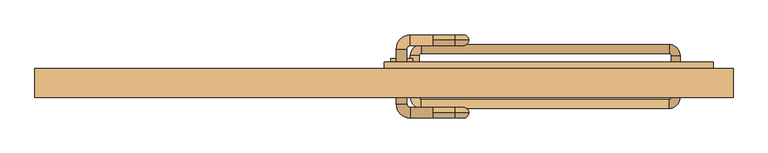
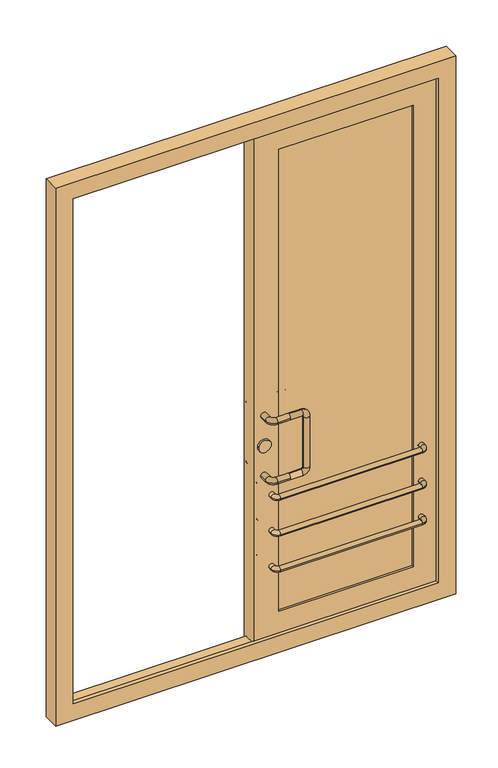
"""IFC4 building model written with IfcOpenShell, lengths in millimetres: door geometry."""

from ifc_helpers import new_model, si_unit, point, frame, frame_2d, origin, place, context, project, spatial, polyline, circle_curve, ellipse_curve, trimmed, segment, composite_curve, outline, extrude, faceted_brep, source, transform, mapped, element, save
from ifc_brep_helpers import cylinder_surface, revolved_surface, advanced_brep


def door_062f2001(model_context):
    return source(origin(), model_context, "Body", "SolidModel", [
        advanced_brep(
        [(110.0, 109.5, 1000.0), (60.0, 109.5, 1000.0), (60.0, 85.5, 1000.0), (110.0, 85.5, 1000.0), (110.0, 97.5, 1012.0), (110.0, 97.5, 988.0), (28.0, 77.5, 1000.0), (52.0, 77.5, 1000.0), (28.0, -47.5, 1000.0), (52.0, -47.5, 1000.0), (60.0, -79.5, 1000.0), (60.0, -55.5, 1000.0), (110.0, -79.5, 1000.0), (110.0, -67.5, 1012.0), (110.0, -55.5, 1000.0), (110.0, -67.5, 988.0), (160.0, 97.5, 988.0), (160.0, 97.5, 1012.0), (168.0, 97.5, 980.0), (192.0, 97.5, 980.0), (168.0, 97.5, 770.0), (192.0, 97.5, 770.0), (160.0, 97.5, 762.0), (160.0, 97.5, 738.0), (110.0, 97.5, 762.0), (110.0, 85.5, 750.0), (110.0, 97.5, 738.0), (110.0, 109.5, 750.0), (60.0, 109.5, 750.0), (60.0, 85.5, 750.0), (28.0, 77.5, 750.0), (52.0, 77.5, 750.0), (28.0, -47.5, 750.0), (52.0, -47.5, 750.0), (60.0, -79.5, 750.0), (60.0, -55.5, 750.0), (110.0, -79.5, 750.0), (110.0, -67.5, 762.0), (110.0, -55.5, 750.0), (110.0, -67.5, 738.0), (160.0, -67.5, 988.0), (160.0, -67.5, 1012.0), (168.0, -67.5, 980.0), (192.0, -67.5, 980.0), (168.0, -67.5, 770.0), (192.0, -67.5, 770.0), (160.0, -67.5, 762.0), (160.0, -67.5, 738.0)],
        [
            (0, 1),
            (1, 2, circle_curve(frame((60.0, 97.5, 1000.0), z_axis=(1.0, 0.0, 0.0), x_axis=(0.0, -1.0, 0.0)), 12.0)),
            (2, 3),
            (3, 4, circle_curve(frame((110.0, 97.5, 1000.0), z_axis=(-1.0, 0.0, 0.0), x_axis=(0.0, -1.0, 0.0)), 12.0)),
            (4, 0, circle_curve(frame((110.0, 97.5, 1000.0), z_axis=(-1.0, 0.0, 0.0), x_axis=(0.0, -1.0, 0.0)), 12.0)),
            (0, 5, circle_curve(frame((110.0, 97.5, 1000.0), z_axis=(-1.0, 0.0, 0.0), x_axis=(0.0, -1.0, 0.0)), 12.0)),
            (5, 3, circle_curve(frame((110.0, 97.5, 1000.0), z_axis=(-1.0, 0.0, 0.0), x_axis=(0.0, -1.0, 0.0)), 12.0)),
            (2, 1, circle_curve(frame((60.0, 97.5, 1000.0), z_axis=(1.0, 0.0, 0.0), x_axis=(0.0, -1.0, 0.0)), 12.0)),
            (1, 6, circle_curve(frame((60.0, 77.5, 1000.0), z_axis=(0.0, 0.0, 1.0), x_axis=(0.0, 1.0, 0.0)), 32.0)),
            (6, 7, circle_curve(frame((40.0, 77.5, 1000.0), z_axis=(0.0, 1.0, 0.0), x_axis=(1.0, 0.0, 0.0)), 12.0)),
            (7, 2, circle_curve(frame((60.0, 77.5, 1000.0), z_axis=(0.0, 0.0, -1.0), x_axis=(0.0, 1.0, 0.0)), 8.0)),
            (7, 6, circle_curve(frame((40.0, 77.5, 1000.0), z_axis=(0.0, 1.0, 0.0), x_axis=(1.0, 0.0, 0.0)), 12.0)),
            (6, 8),
            (8, 9, circle_curve(frame((40.0, -47.5, 1000.0), z_axis=(0.0, 1.0, 0.0), x_axis=(1.0, 0.0, 0.0)), 12.0)),
            (9, 7),
            (9, 8, circle_curve(frame((40.0, -47.5, 1000.0), z_axis=(0.0, 1.0, 0.0), x_axis=(1.0, 0.0, 0.0)), 12.0)),
            (8, 10, circle_curve(frame((60.0, -47.5, 1000.0), z_axis=(0.0, 0.0, 1.0), x_axis=(-1.0, 0.0, 0.0)), 32.0)),
            (10, 11, circle_curve(frame((60.0, -67.5, 1000.0), z_axis=(-1.0, 0.0, 0.0), x_axis=(0.0, 1.0, 0.0)), 12.0)),
            (11, 9, circle_curve(frame((60.0, -47.5, 1000.0), z_axis=(0.0, 0.0, -1.0), x_axis=(-1.0, 0.0, 0.0)), 8.0)),
            (11, 10, circle_curve(frame((60.0, -67.5, 1000.0), z_axis=(-1.0, 0.0, 0.0), x_axis=(0.0, 1.0, 0.0)), 12.0)),
            (10, 12),
            (12, 13, circle_curve(frame((110.0, -67.5, 1000.0), z_axis=(-1.0, 0.0, 0.0), x_axis=(0.0, 1.0, 0.0)), 12.0)),
            (13, 14, circle_curve(frame((110.0, -67.5, 1000.0), z_axis=(-1.0, 0.0, 0.0), x_axis=(0.0, 1.0, 0.0)), 12.0)),
            (14, 11),
            (14, 15, circle_curve(frame((110.0, -67.5, 1000.0), z_axis=(-1.0, 0.0, 0.0), x_axis=(0.0, 1.0, 0.0)), 12.0)),
            (15, 12, circle_curve(frame((110.0, -67.5, 1000.0), z_axis=(-1.0, 0.0, 0.0), x_axis=(0.0, 1.0, 0.0)), 12.0)),
            (5, 16),
            (16, 17, circle_curve(frame((160.0, 97.5, 1000.0), z_axis=(-1.0, 0.0, 0.0), x_axis=(0.0, 0.0, 1.0)), 12.0)),
            (17, 4),
            (17, 16, circle_curve(frame((160.0, 97.5, 1000.0), z_axis=(-1.0, 0.0, 0.0), x_axis=(0.0, 0.0, 1.0)), 12.0)),
            (16, 18, circle_curve(frame((160.0, 97.5, 980.0), z_axis=(0.0, 1.0, 0.0), x_axis=(0.0, 0.0, 1.0)), 8.0)),
            (18, 19, circle_curve(frame((180.0, 97.5, 980.0), z_axis=(0.0, 0.0, 1.0), x_axis=(1.0, 0.0, 0.0)), 12.0)),
            (19, 17, circle_curve(frame((160.0, 97.5, 980.0), z_axis=(0.0, -1.0, 0.0), x_axis=(0.0, 0.0, 1.0)), 32.0)),
            (19, 18, circle_curve(frame((180.0, 97.5, 980.0), z_axis=(0.0, 0.0, 1.0), x_axis=(1.0, 0.0, 0.0)), 12.0)),
            (18, 20),
            (20, 21, circle_curve(frame((180.0, 97.5, 770.0), z_axis=(0.0, 0.0, 1.0), x_axis=(1.0, 0.0, 0.0)), 12.0)),
            (21, 19),
            (21, 20, circle_curve(frame((180.0, 97.5, 770.0), z_axis=(0.0, 0.0, 1.0), x_axis=(1.0, 0.0, 0.0)), 12.0)),
            (20, 22, circle_curve(frame((160.0, 97.5, 770.0), z_axis=(0.0, 1.0, 0.0), x_axis=(1.0, 0.0, 0.0)), 8.0)),
            (22, 23, circle_curve(frame((160.0, 97.5, 750.0), z_axis=(1.0, 0.0, 0.0), x_axis=(0.0, 0.0, -1.0)), 12.0)),
            (23, 21, circle_curve(frame((160.0, 97.5, 770.0), z_axis=(0.0, -1.0, 0.0), x_axis=(1.0, 0.0, 0.0)), 32.0)),
            (23, 22, circle_curve(frame((160.0, 97.5, 750.0), z_axis=(1.0, 0.0, 0.0), x_axis=(0.0, 0.0, -1.0)), 12.0)),
            (22, 24),
            (24, 25, circle_curve(frame((110.0, 97.5, 750.0), z_axis=(1.0, 0.0, 0.0), x_axis=(0.0, 0.0, -1.0)), 12.0)),
            (25, 26, circle_curve(frame((110.0, 97.5, 750.0), z_axis=(1.0, 0.0, 0.0), x_axis=(0.0, 0.0, -1.0)), 12.0)),
            (26, 23),
            (26, 27, circle_curve(frame((110.0, 97.5, 750.0), z_axis=(1.0, 0.0, 0.0), x_axis=(0.0, 0.0, -1.0)), 12.0)),
            (27, 24, circle_curve(frame((110.0, 97.5, 750.0), z_axis=(1.0, 0.0, 0.0), x_axis=(0.0, 0.0, -1.0)), 12.0)),
            (27, 28),
            (28, 29, circle_curve(frame((60.0, 97.5, 750.0), z_axis=(1.0, 0.0, 0.0), x_axis=(0.0, -1.0, 0.0)), 12.0)),
            (29, 25),
            (29, 28, circle_curve(frame((60.0, 97.5, 750.0), z_axis=(1.0, 0.0, 0.0), x_axis=(0.0, -1.0, 0.0)), 12.0)),
            (28, 30, circle_curve(frame((60.0, 77.5, 750.0), z_axis=(0.0, 0.0, 1.0), x_axis=(0.0, 1.0, 0.0)), 32.0)),
            (30, 31, circle_curve(frame((40.0, 77.5, 750.0), z_axis=(0.0, 1.0, 0.0), x_axis=(1.0, 0.0, 0.0)), 12.0)),
            (31, 29, circle_curve(frame((60.0, 77.5, 750.0), z_axis=(0.0, 0.0, -1.0), x_axis=(0.0, 1.0, 0.0)), 8.0)),
            (31, 30, circle_curve(frame((40.0, 77.5, 750.0), z_axis=(0.0, 1.0, 0.0), x_axis=(1.0, 0.0, 0.0)), 12.0)),
            (30, 32),
            (32, 33, circle_curve(frame((40.0, -47.5, 750.0), z_axis=(0.0, 1.0, 0.0), x_axis=(1.0, 0.0, 0.0)), 12.0)),
            (33, 31),
            (33, 32, circle_curve(frame((40.0, -47.5, 750.0), z_axis=(0.0, 1.0, 0.0), x_axis=(1.0, 0.0, 0.0)), 12.0)),
            (32, 34, circle_curve(frame((60.0, -47.5, 750.0), z_axis=(0.0, 0.0, 1.0), x_axis=(-1.0, 0.0, 0.0)), 32.0)),
            (34, 35, circle_curve(frame((60.0, -67.5, 750.0), z_axis=(-1.0, 0.0, 0.0), x_axis=(0.0, 1.0, 0.0)), 12.0)),
            (35, 33, circle_curve(frame((60.0, -47.5, 750.0), z_axis=(0.0, 0.0, -1.0), x_axis=(-1.0, 0.0, 0.0)), 8.0)),
            (35, 34, circle_curve(frame((60.0, -67.5, 750.0), z_axis=(-1.0, 0.0, 0.0), x_axis=(0.0, 1.0, 0.0)), 12.0)),
            (34, 36),
            (36, 37, circle_curve(frame((110.0, -67.5, 750.0), z_axis=(-1.0, 0.0, 0.0), x_axis=(0.0, 1.0, 0.0)), 12.0)),
            (37, 38, circle_curve(frame((110.0, -67.5, 750.0), z_axis=(-1.0, 0.0, 0.0), x_axis=(0.0, 1.0, 0.0)), 12.0)),
            (38, 35),
            (38, 39, circle_curve(frame((110.0, -67.5, 750.0), z_axis=(-1.0, 0.0, 0.0), x_axis=(0.0, 1.0, 0.0)), 12.0)),
            (39, 36, circle_curve(frame((110.0, -67.5, 750.0), z_axis=(-1.0, 0.0, 0.0), x_axis=(0.0, 1.0, 0.0)), 12.0)),
            (15, 40),
            (40, 41, circle_curve(frame((160.0, -67.5, 1000.0), z_axis=(-1.0, 0.0, 0.0), x_axis=(0.0, 0.0, 1.0)), 12.0)),
            (41, 13),
            (41, 40, circle_curve(frame((160.0, -67.5, 1000.0), z_axis=(-1.0, 0.0, 0.0), x_axis=(0.0, 0.0, 1.0)), 12.0)),
            (40, 42, circle_curve(frame((160.0, -67.5, 980.0), z_axis=(0.0, 1.0, 0.0), x_axis=(0.0, 0.0, 1.0)), 8.0)),
            (42, 43, circle_curve(frame((180.0, -67.5, 980.0), z_axis=(0.0, 0.0, 1.0), x_axis=(1.0, 0.0, 0.0)), 12.0)),
            (43, 41, circle_curve(frame((160.0, -67.5, 980.0), z_axis=(0.0, -1.0, 0.0), x_axis=(0.0, 0.0, 1.0)), 32.0)),
            (43, 42, circle_curve(frame((180.0, -67.5, 980.0), z_axis=(0.0, 0.0, 1.0), x_axis=(1.0, 0.0, 0.0)), 12.0)),
            (42, 44),
            (44, 45, circle_curve(frame((180.0, -67.5, 770.0), z_axis=(0.0, 0.0, 1.0), x_axis=(1.0, 0.0, 0.0)), 12.0)),
            (45, 43),
            (45, 44, circle_curve(frame((180.0, -67.5, 770.0), z_axis=(0.0, 0.0, 1.0), x_axis=(1.0, 0.0, 0.0)), 12.0)),
            (44, 46, circle_curve(frame((160.0, -67.5, 770.0), z_axis=(0.0, 1.0, 0.0), x_axis=(1.0, 0.0, 0.0)), 8.0)),
            (46, 47, circle_curve(frame((160.0, -67.5, 750.0), z_axis=(1.0, 0.0, 0.0), x_axis=(0.0, 0.0, -1.0)), 12.0)),
            (47, 45, circle_curve(frame((160.0, -67.5, 770.0), z_axis=(0.0, -1.0, 0.0), x_axis=(1.0, 0.0, 0.0)), 32.0)),
            (47, 46, circle_curve(frame((160.0, -67.5, 750.0), z_axis=(1.0, 0.0, 0.0), x_axis=(0.0, 0.0, -1.0)), 12.0)),
            (46, 37),
            (39, 47),
        ],
        [
            cylinder_surface(frame((110.0, 97.5, 1000.0), z_axis=(1.0, 0.0, 0.0), x_axis=(0.0, -1.0, 0.0)), 12.0),
            revolved_surface(trimmed(ellipse_curve(frame((60.0, 97.5, 1000.0), z_axis=(1.0, 0.0, 0.0), x_axis=(0.0, -1.0, 0.0)), 12.0, 12.0), [point((60.0, 109.5, 1000.0))], [point((60.0, 85.5, 1000.0))], True, "CARTESIAN"), (60.0, 77.5, 1000.0), (0.0, 0.0, 1.0)),
            revolved_surface(trimmed(ellipse_curve(frame((60.0, 97.5, 1000.0), z_axis=(1.0, 0.0, 0.0), x_axis=(0.0, -1.0, 0.0)), 12.0, 12.0), [point((60.0, 85.5, 1000.0))], [point((60.0, 109.5, 1000.0))], True, "CARTESIAN"), (60.0, 77.5, 1000.0), (0.0, 0.0, 1.0)),
            cylinder_surface(frame((40.0, 77.5, 1000.0), z_axis=(0.0, 1.0, 0.0), x_axis=(1.0, 0.0, 0.0)), 12.0),
            revolved_surface(trimmed(ellipse_curve(frame((40.0, -47.5, 1000.0), z_axis=(0.0, 1.0, 0.0), x_axis=(1.0, 0.0, 0.0)), 12.0, 12.0), [point((28.0, -47.5, 1000.0))], [point((52.0, -47.5, 1000.0))], True, "CARTESIAN"), (60.0, -47.5, 1000.0), (0.0, 0.0, 1.0)),
            revolved_surface(trimmed(ellipse_curve(frame((40.0, -47.5, 1000.0), z_axis=(0.0, 1.0, 0.0), x_axis=(1.0, 0.0, 0.0)), 12.0, 12.0), [point((52.0, -47.5, 1000.0))], [point((28.0, -47.5, 1000.0))], True, "CARTESIAN"), (60.0, -47.5, 1000.0), (0.0, 0.0, 1.0)),
            cylinder_surface(frame((60.0, -67.5, 1000.0), z_axis=(-1.0, 0.0, 0.0), x_axis=(0.0, 1.0, 0.0)), 12.0),
            cylinder_surface(frame((110.0, 97.5, 1000.0), z_axis=(-1.0, 0.0, 0.0), x_axis=(0.0, 0.0, 1.0)), 12.0),
            revolved_surface(trimmed(ellipse_curve(frame((160.0, 97.5, 1000.0), z_axis=(-1.0, 0.0, 0.0), x_axis=(0.0, 0.0, 1.0)), 12.0, 12.0), [point((160.0, 97.5, 988.0))], [point((160.0, 97.5, 1012.0))], True, "CARTESIAN"), (160.0, 97.5, 980.0), (0.0, 1.0, 0.0)),
            revolved_surface(trimmed(ellipse_curve(frame((160.0, 97.5, 1000.0), z_axis=(-1.0, 0.0, 0.0), x_axis=(0.0, 0.0, 1.0)), 12.0, 12.0), [point((160.0, 97.5, 1012.0))], [point((160.0, 97.5, 988.0))], True, "CARTESIAN"), (160.0, 97.5, 980.0), (0.0, 1.0, 0.0)),
            cylinder_surface(frame((180.0, 97.5, 980.0), z_axis=(0.0, 0.0, 1.0), x_axis=(1.0, 0.0, 0.0)), 12.0),
            revolved_surface(trimmed(ellipse_curve(frame((180.0, 97.5, 770.0), z_axis=(0.0, 0.0, 1.0), x_axis=(1.0, 0.0, 0.0)), 12.0, 12.0), [point((168.0, 97.5, 770.0))], [point((192.0, 97.5, 770.0))], True, "CARTESIAN"), (160.0, 97.5, 770.0), (0.0, 1.0, 0.0)),
            revolved_surface(trimmed(ellipse_curve(frame((180.0, 97.5, 770.0), z_axis=(0.0, 0.0, 1.0), x_axis=(1.0, 0.0, 0.0)), 12.0, 12.0), [point((192.0, 97.5, 770.0))], [point((168.0, 97.5, 770.0))], True, "CARTESIAN"), (160.0, 97.5, 770.0), (0.0, 1.0, 0.0)),
            cylinder_surface(frame((160.0, 97.5, 750.0), z_axis=(1.0, 0.0, 0.0), x_axis=(0.0, 0.0, -1.0)), 12.0),
            cylinder_surface(frame((110.0, 97.5, 750.0), z_axis=(1.0, 0.0, 0.0), x_axis=(0.0, -1.0, 0.0)), 12.0),
            revolved_surface(trimmed(ellipse_curve(frame((60.0, 97.5, 750.0), z_axis=(1.0, 0.0, 0.0), x_axis=(0.0, -1.0, 0.0)), 12.0, 12.0), [point((60.0, 109.5, 750.0))], [point((60.0, 85.5, 750.0))], True, "CARTESIAN"), (60.0, 77.5, 750.0), (0.0, 0.0, 1.0)),
            revolved_surface(trimmed(ellipse_curve(frame((60.0, 97.5, 750.0), z_axis=(1.0, 0.0, 0.0), x_axis=(0.0, -1.0, 0.0)), 12.0, 12.0), [point((60.0, 85.5, 750.0))], [point((60.0, 109.5, 750.0))], True, "CARTESIAN"), (60.0, 77.5, 750.0), (0.0, 0.0, 1.0)),
            cylinder_surface(frame((40.0, 77.5, 750.0), z_axis=(0.0, 1.0, 0.0), x_axis=(1.0, 0.0, 0.0)), 12.0),
            revolved_surface(trimmed(ellipse_curve(frame((40.0, -47.5, 750.0), z_axis=(0.0, 1.0, 0.0), x_axis=(1.0, 0.0, 0.0)), 12.0, 12.0), [point((28.0, -47.5, 750.0))], [point((52.0, -47.5, 750.0))], True, "CARTESIAN"), (60.0, -47.5, 750.0), (0.0, 0.0, 1.0)),
            revolved_surface(trimmed(ellipse_curve(frame((40.0, -47.5, 750.0), z_axis=(0.0, 1.0, 0.0), x_axis=(1.0, 0.0, 0.0)), 12.0, 12.0), [point((52.0, -47.5, 750.0))], [point((28.0, -47.5, 750.0))], True, "CARTESIAN"), (60.0, -47.5, 750.0), (0.0, 0.0, 1.0)),
            cylinder_surface(frame((60.0, -67.5, 750.0), z_axis=(-1.0, 0.0, 0.0), x_axis=(0.0, 1.0, 0.0)), 12.0),
            cylinder_surface(frame((110.0, -67.5, 1000.0), z_axis=(-1.0, 0.0, 0.0), x_axis=(0.0, 0.0, 1.0)), 12.0),
            revolved_surface(trimmed(ellipse_curve(frame((160.0, -67.5, 1000.0), z_axis=(-1.0, 0.0, 0.0), x_axis=(0.0, 0.0, 1.0)), 12.0, 12.0), [point((160.0, -67.5, 988.0))], [point((160.0, -67.5, 1012.0))], True, "CARTESIAN"), (160.0, -67.5, 980.0), (0.0, 1.0, 0.0)),
            revolved_surface(trimmed(ellipse_curve(frame((160.0, -67.5, 1000.0), z_axis=(-1.0, 0.0, 0.0), x_axis=(0.0, 0.0, 1.0)), 12.0, 12.0), [point((160.0, -67.5, 1012.0))], [point((160.0, -67.5, 988.0))], True, "CARTESIAN"), (160.0, -67.5, 980.0), (0.0, 1.0, 0.0)),
            cylinder_surface(frame((180.0, -67.5, 980.0), z_axis=(0.0, 0.0, 1.0), x_axis=(1.0, 0.0, 0.0)), 12.0),
            revolved_surface(trimmed(ellipse_curve(frame((180.0, -67.5, 770.0), z_axis=(0.0, 0.0, 1.0), x_axis=(1.0, 0.0, 0.0)), 12.0, 12.0), [point((168.0, -67.5, 770.0))], [point((192.0, -67.5, 770.0))], True, "CARTESIAN"), (160.0, -67.5, 770.0), (0.0, 1.0, 0.0)),
            revolved_surface(trimmed(ellipse_curve(frame((180.0, -67.5, 770.0), z_axis=(0.0, 0.0, 1.0), x_axis=(1.0, 0.0, 0.0)), 12.0, 12.0), [point((192.0, -67.5, 770.0))], [point((168.0, -67.5, 770.0))], True, "CARTESIAN"), (160.0, -67.5, 770.0), (0.0, 1.0, 0.0)),
            cylinder_surface(frame((160.0, -67.5, 750.0), z_axis=(1.0, 0.0, 0.0), x_axis=(0.0, 0.0, -1.0)), 12.0),
        ],
        [
            (0, [[1, 2, 3, 4, 5]]),
            (0, [[-1, 6, 7, -3, 8]]),
            (1, [[-2, 9, 10, 11]]),
            (2, [[-8, -11, 12, -9]]),
            (3, [[-10, 13, 14, 15]]),
            (3, [[-12, -15, 16, -13]]),
            (4, [[-14, 17, 18, 19]]),
            (5, [[-16, -19, 20, -17]]),
            (6, [[-18, 21, 22, 23, 24]]),
            (6, [[-20, -24, 25, 26, -21]]),
            (7, [[27, 28, 29, -4, -7]]),
            (7, [[-27, -6, -5, -29, 30]]),
            (8, [[-28, 31, 32, 33]]),
            (9, [[-30, -33, 34, -31]]),
            (10, [[-32, 35, 36, 37]]),
            (10, [[-34, -37, 38, -35]]),
            (11, [[-36, 39, 40, 41]]),
            (12, [[-38, -41, 42, -39]]),
            (13, [[-40, 43, 44, 45, 46]]),
            (13, [[-42, -46, 47, 48, -43]]),
            (14, [[49, 50, 51, -44, -48]]),
            (14, [[-49, -47, -45, -51, 52]]),
            (15, [[-50, 53, 54, 55]]),
            (16, [[-52, -55, 56, -53]]),
            (17, [[-54, 57, 58, 59]]),
            (17, [[-56, -59, 60, -57]]),
            (18, [[-58, 61, 62, 63]]),
            (19, [[-60, -63, 64, -61]]),
            (20, [[-62, 65, 66, 67, 68]]),
            (20, [[-64, -68, 69, 70, -65]]),
            (21, [[71, 72, 73, -22, -26]]),
            (21, [[-71, -25, -23, -73, 74]]),
            (22, [[-72, 75, 76, 77]]),
            (23, [[-74, -77, 78, -75]]),
            (24, [[-76, 79, 80, 81]]),
            (24, [[-78, -81, 82, -79]]),
            (25, [[-80, 83, 84, 85]]),
            (26, [[-82, -85, 86, -83]]),
            (27, [[-84, 87, -66, -70, 88]]),
            (27, [[-86, -88, -69, -67, -87]]),
        ],
    ),
        extrude(outline(composite_curve([segment(trimmed(circle_curve(frame_2d((875.0, 40.0)), 25.0), [point((875.0, 15.0))], [point((875.0, 65.0))], False, "CARTESIAN"), True, "CONTINUOUS"), segment(trimmed(circle_curve(frame_2d((875.0, 40.0)), 25.0), [point((875.0, 65.0))], [point((875.0, 15.0))], False, "CARTESIAN"), True, "CONTINUOUS")], self_intersect=False)), frame((0.0, -25.5, 0.0), z_axis=(0.0, 1.0, 0.0), x_axis=(0.0, 0.0, 1.0)), (0.0, 0.0, 1.0), 81.0),
        faceted_brep([(100.0, 47.5, 160.0), (100.0, -17.5, 160.0), (631.3125, -17.5, 160.0), (631.3125, 47.5, 160.0), (746.3125, 47.5, 45.0), (746.3125, 32.5, 45.0), (0.0, 32.5, 45.0), (0.0, 47.5, 45.0), (0.0, -17.5, 60.0), (0.0, 32.5, 60.0), (731.3125, 32.5, 60.0), (731.3125, -17.5, 60.0), (631.3125, -17.5, 2090.125), (631.3125, 47.5, 2090.125), (746.3125, 47.5, 2205.125), (746.3125, 32.5, 2205.125), (731.3125, 32.5, 2190.125), (731.3125, -17.5, 2190.125), (100.0, -17.5, 2090.125), (100.0, 47.5, 2090.125), (0.0, 47.5, 2205.125), (0.0, 32.5, 2205.125), (0.0, 32.5, 2190.125), (0.0, -17.5, 2190.125)], [[[0, 1, 2, 3]], [[4, 5, 6, 7]], [[8, 9, 10, 11]], [[3, 2, 12, 13]], [[5, 4, 14, 15]], [[11, 10, 16, 17]], [[13, 12, 18, 19]], [[15, 14, 20, 21]], [[17, 16, 22, 23]], [[1, 0, 19, 18]], [[14, 4, 7, 20], [0, 3, 13, 19]], [[10, 9, 6, 5, 15, 21, 22, 16]], [[9, 8, 23, 22, 21, 20, 7, 6]], [[8, 11, 17, 23], [2, 1, 18, 12]]]),
        advanced_brep(
        [(60.0, -32.5, 360.0), (80.0, -32.5, 360.0), (80.0, 62.5, 360.0), (60.0, 62.5, 360.0), (85.0, 87.5, 360.0), (85.0, 67.5, 360.0), (646.3125, 67.5, 360.0), (646.3125, 87.5, 360.0), (671.3125, 62.5, 360.0), (651.3125, 62.5, 360.0), (651.3125, -32.5, 360.0), (671.3125, -32.5, 360.0), (646.3125, -57.5, 360.0), (646.3125, -37.5, 360.0), (85.0, -37.5, 360.0), (85.0, -57.5, 360.0)],
        [
            (0, 1, circle_curve(frame((70.0, -32.5, 360.0), z_axis=(0.0, 1.0, 0.0), x_axis=(-1.0, 0.0, 0.0)), 10.0)),
            (1, 2),
            (2, 3, circle_curve(frame((70.0, 62.5, 360.0), z_axis=(0.0, -1.0, 0.0), x_axis=(-1.0, 0.0, 0.0)), 10.0)),
            (3, 0),
            (1, 0, circle_curve(frame((70.0, -32.5, 360.0), z_axis=(0.0, 1.0, 0.0), x_axis=(-1.0, 0.0, 0.0)), 10.0)),
            (3, 2, circle_curve(frame((70.0, 62.5, 360.0), z_axis=(0.0, -1.0, 0.0), x_axis=(-1.0, 0.0, 0.0)), 10.0)),
            (4, 3, circle_curve(frame((85.0, 62.5, 360.0), z_axis=(0.0, 0.0, 1.0), x_axis=(-1.0, 0.0, 0.0)), 25.0)),
            (2, 5, circle_curve(frame((85.0, 62.5, 360.0), z_axis=(0.0, 0.0, -1.0), x_axis=(-1.0, 0.0, 0.0)), 5.0)),
            (5, 4, circle_curve(frame((85.0, 77.5, 360.0), z_axis=(-1.0, 0.0, 0.0), x_axis=(0.0, 1.0, 0.0)), 10.0)),
            (4, 5, circle_curve(frame((85.0, 77.5, 360.0), z_axis=(-1.0, 0.0, 0.0), x_axis=(0.0, 1.0, 0.0)), 10.0)),
            (5, 6),
            (6, 7, circle_curve(frame((646.3125, 77.5, 360.0), z_axis=(-1.0, 0.0, 0.0), x_axis=(0.0, 1.0, 0.0)), 10.0)),
            (7, 4),
            (7, 6, circle_curve(frame((646.3125, 77.5, 360.0), z_axis=(-1.0, 0.0, 0.0), x_axis=(0.0, 1.0, 0.0)), 10.0)),
            (8, 7, circle_curve(frame((646.3125, 62.5, 360.0), z_axis=(0.0, 0.0, 1.0), x_axis=(0.0, 1.0, 0.0)), 25.0)),
            (6, 9, circle_curve(frame((646.3125, 62.5, 360.0), z_axis=(0.0, 0.0, -1.0), x_axis=(0.0, 1.0, 0.0)), 5.0)),
            (9, 8, circle_curve(frame((661.3125, 62.5, 360.0), z_axis=(0.0, 1.0, 0.0), x_axis=(1.0, 0.0, 0.0)), 10.0)),
            (8, 9, circle_curve(frame((661.3125, 62.5, 360.0), z_axis=(0.0, 1.0, 0.0), x_axis=(1.0, 0.0, 0.0)), 10.0)),
            (9, 10),
            (10, 11, circle_curve(frame((661.3125, -32.5, 360.0), z_axis=(0.0, 1.0, 0.0), x_axis=(1.0, 0.0, 0.0)), 10.0)),
            (11, 8),
            (11, 10, circle_curve(frame((661.3125, -32.5, 360.0), z_axis=(0.0, 1.0, 0.0), x_axis=(1.0, 0.0, 0.0)), 10.0)),
            (12, 11, circle_curve(frame((646.3125, -32.5, 360.0), z_axis=(0.0, 0.0, 1.0), x_axis=(1.0, 0.0, 0.0)), 25.0)),
            (10, 13, circle_curve(frame((646.3125, -32.5, 360.0), z_axis=(0.0, 0.0, -1.0), x_axis=(1.0, 0.0, 0.0)), 5.0)),
            (13, 12, circle_curve(frame((646.3125, -47.5, 360.0), z_axis=(1.0, 0.0, 0.0), x_axis=(0.0, -1.0, 0.0)), 10.0)),
            (12, 13, circle_curve(frame((646.3125, -47.5, 360.0), z_axis=(1.0, 0.0, 0.0), x_axis=(0.0, -1.0, 0.0)), 10.0)),
            (13, 14),
            (14, 15, circle_curve(frame((85.0, -47.5, 360.0), z_axis=(1.0, 0.0, 0.0), x_axis=(0.0, -1.0, 0.0)), 10.0)),
            (15, 12),
            (15, 14, circle_curve(frame((85.0, -47.5, 360.0), z_axis=(1.0, 0.0, 0.0), x_axis=(0.0, -1.0, 0.0)), 10.0)),
            (0, 15, circle_curve(frame((85.0, -32.5, 360.0), z_axis=(0.0, 0.0, 1.0), x_axis=(0.0, -1.0, 0.0)), 25.0)),
            (14, 1, circle_curve(frame((85.0, -32.5, 360.0), z_axis=(0.0, 0.0, -1.0), x_axis=(0.0, -1.0, 0.0)), 5.0)),
        ],
        [
            cylinder_surface(frame((70.0, -32.5, 360.0), z_axis=(0.0, -1.0, 0.0), x_axis=(-1.0, 0.0, 0.0)), 10.0),
            revolved_surface(trimmed(ellipse_curve(frame((70.0, 62.5, 360.0), z_axis=(0.0, -1.0, 0.0), x_axis=(-1.0, 0.0, 0.0)), 10.0, 10.0), [point((80.0, 62.5, 360.0))], [point((60.0, 62.5, 360.0))], True, "CARTESIAN"), (85.0, 62.5, 360.0), (0.0, 0.0, -1.0)),
            revolved_surface(trimmed(ellipse_curve(frame((70.0, 62.5, 360.0), z_axis=(0.0, -1.0, 0.0), x_axis=(-1.0, 0.0, 0.0)), 10.0, 10.0), [point((60.0, 62.5, 360.0))], [point((80.0, 62.5, 360.0))], True, "CARTESIAN"), (85.0, 62.5, 360.0), (0.0, 0.0, -1.0)),
            cylinder_surface(frame((85.0, 77.5, 360.0), z_axis=(-1.0, 0.0, 0.0), x_axis=(0.0, 1.0, 0.0)), 10.0),
            revolved_surface(trimmed(ellipse_curve(frame((646.3125, 77.5, 360.0), z_axis=(-1.0, 0.0, 0.0), x_axis=(0.0, 1.0, 0.0)), 10.0, 10.0), [point((646.3125, 67.5, 360.0))], [point((646.3125, 87.5, 360.0))], True, "CARTESIAN"), (646.3125, 62.5, 360.0), (0.0, 0.0, -1.0)),
            revolved_surface(trimmed(ellipse_curve(frame((646.3125, 77.5, 360.0), z_axis=(-1.0, 0.0, 0.0), x_axis=(0.0, 1.0, 0.0)), 10.0, 10.0), [point((646.3125, 87.5, 360.0))], [point((646.3125, 67.5, 360.0))], True, "CARTESIAN"), (646.3125, 62.5, 360.0), (0.0, 0.0, -1.0)),
            cylinder_surface(frame((661.3125, 62.5, 360.0), z_axis=(0.0, 1.0, 0.0), x_axis=(1.0, 0.0, 0.0)), 10.0),
            revolved_surface(trimmed(ellipse_curve(frame((661.3125, -32.5, 360.0), z_axis=(0.0, 1.0, 0.0), x_axis=(1.0, 0.0, 0.0)), 10.0, 10.0), [point((651.3125, -32.5, 360.0))], [point((671.3125, -32.5, 360.0))], True, "CARTESIAN"), (646.3125, -32.5, 360.0), (0.0, 0.0, -1.0)),
            revolved_surface(trimmed(ellipse_curve(frame((661.3125, -32.5, 360.0), z_axis=(0.0, 1.0, 0.0), x_axis=(1.0, 0.0, 0.0)), 10.0, 10.0), [point((671.3125, -32.5, 360.0))], [point((651.3125, -32.5, 360.0))], True, "CARTESIAN"), (646.3125, -32.5, 360.0), (0.0, 0.0, -1.0)),
            cylinder_surface(frame((646.3125, -47.5, 360.0), z_axis=(1.0, 0.0, 0.0), x_axis=(0.0, -1.0, 0.0)), 10.0),
            revolved_surface(trimmed(ellipse_curve(frame((85.0, -47.5, 360.0), z_axis=(1.0, 0.0, 0.0), x_axis=(0.0, -1.0, 0.0)), 10.0, 10.0), [point((85.0, -37.5, 360.0))], [point((85.0, -57.5, 360.0))], True, "CARTESIAN"), (85.0, -32.5, 360.0), (0.0, 0.0, -1.0)),
            revolved_surface(trimmed(ellipse_curve(frame((85.0, -47.5, 360.0), z_axis=(1.0, 0.0, 0.0), x_axis=(0.0, -1.0, 0.0)), 10.0, 10.0), [point((85.0, -57.5, 360.0))], [point((85.0, -37.5, 360.0))], True, "CARTESIAN"), (85.0, -32.5, 360.0), (0.0, 0.0, -1.0)),
        ],
        [
            (0, [[1, 2, 3, 4]]),
            (0, [[5, -4, 6, -2]]),
            (1, [[7, -3, 8, 9]]),
            (2, [[-8, -6, -7, 10]]),
            (3, [[-9, 11, 12, 13]]),
            (3, [[-10, -13, 14, -11]]),
            (4, [[15, -12, 16, 17]]),
            (5, [[-16, -14, -15, 18]]),
            (6, [[-17, 19, 20, 21]]),
            (6, [[-18, -21, 22, -19]]),
            (7, [[23, -20, 24, 25]]),
            (8, [[-24, -22, -23, 26]]),
            (9, [[-25, 27, 28, 29]]),
            (9, [[-26, -29, 30, -27]]),
            (10, [[31, -28, 32, -1]]),
            (11, [[-32, -30, -31, -5]]),
        ],
    ),
        advanced_brep(
        [(60.0, -32.5, 510.0), (80.0, -32.5, 510.0), (80.0, 62.5, 510.0), (60.0, 62.5, 510.0), (85.0, 87.5, 510.0), (85.0, 67.5, 510.0), (646.3125, 67.5, 510.0), (646.3125, 87.5, 510.0), (671.3125, 62.5, 510.0), (651.3125, 62.5, 510.0), (651.3125, -32.5, 510.0), (671.3125, -32.5, 510.0), (646.3125, -57.5, 510.0), (646.3125, -37.5, 510.0), (85.0, -37.5, 510.0), (85.0, -57.5, 510.0)],
        [
            (0, 1, circle_curve(frame((70.0, -32.5, 510.0), z_axis=(0.0, 1.0, 0.0), x_axis=(-1.0, 0.0, 0.0)), 10.0)),
            (1, 2),
            (2, 3, circle_curve(frame((70.0, 62.5, 510.0), z_axis=(0.0, -1.0, 0.0), x_axis=(-1.0, 0.0, 0.0)), 10.0)),
            (3, 0),
            (1, 0, circle_curve(frame((70.0, -32.5, 510.0), z_axis=(0.0, 1.0, 0.0), x_axis=(-1.0, 0.0, 0.0)), 10.0)),
            (3, 2, circle_curve(frame((70.0, 62.5, 510.0), z_axis=(0.0, -1.0, 0.0), x_axis=(-1.0, 0.0, 0.0)), 10.0)),
            (4, 3, circle_curve(frame((85.0, 62.5, 510.0), z_axis=(0.0, 0.0, 1.0), x_axis=(-1.0, 0.0, 0.0)), 25.0)),
            (2, 5, circle_curve(frame((85.0, 62.5, 510.0), z_axis=(0.0, 0.0, -1.0), x_axis=(-1.0, 0.0, 0.0)), 5.0)),
            (5, 4, circle_curve(frame((85.0, 77.5, 510.0), z_axis=(-1.0, 0.0, 0.0), x_axis=(0.0, 1.0, 0.0)), 10.0)),
            (4, 5, circle_curve(frame((85.0, 77.5, 510.0), z_axis=(-1.0, 0.0, 0.0), x_axis=(0.0, 1.0, 0.0)), 10.0)),
            (5, 6),
            (6, 7, circle_curve(frame((646.3125, 77.5, 510.0), z_axis=(-1.0, 0.0, 0.0), x_axis=(0.0, 1.0, 0.0)), 10.0)),
            (7, 4),
            (7, 6, circle_curve(frame((646.3125, 77.5, 510.0), z_axis=(-1.0, 0.0, 0.0), x_axis=(0.0, 1.0, 0.0)), 10.0)),
            (8, 7, circle_curve(frame((646.3125, 62.5, 510.0), z_axis=(0.0, 0.0, 1.0), x_axis=(0.0, 1.0, 0.0)), 25.0)),
            (6, 9, circle_curve(frame((646.3125, 62.5, 510.0), z_axis=(0.0, 0.0, -1.0), x_axis=(0.0, 1.0, 0.0)), 5.0)),
            (9, 8, circle_curve(frame((661.3125, 62.5, 510.0), z_axis=(0.0, 1.0, 0.0), x_axis=(1.0, 0.0, 0.0)), 10.0)),
            (8, 9, circle_curve(frame((661.3125, 62.5, 510.0), z_axis=(0.0, 1.0, 0.0), x_axis=(1.0, 0.0, 0.0)), 10.0)),
            (9, 10),
            (10, 11, circle_curve(frame((661.3125, -32.5, 510.0), z_axis=(0.0, 1.0, 0.0), x_axis=(1.0, 0.0, 0.0)), 10.0)),
            (11, 8),
            (11, 10, circle_curve(frame((661.3125, -32.5, 510.0), z_axis=(0.0, 1.0, 0.0), x_axis=(1.0, 0.0, 0.0)), 10.0)),
            (12, 11, circle_curve(frame((646.3125, -32.5, 510.0), z_axis=(0.0, 0.0, 1.0), x_axis=(1.0, 1.264444445123043e-12, 0.0)), 25.0)),
            (10, 13, circle_curve(frame((646.3125, -32.5, 510.0), z_axis=(0.0, 0.0, -1.0), x_axis=(1.0, 1.264444445123043e-12, 0.0)), 5.0)),
            (13, 12, circle_curve(frame((646.3125, -47.5, 510.0), z_axis=(1.0, 0.0, 0.0), x_axis=(0.0, -1.0, 0.0)), 10.0)),
            (12, 13, circle_curve(frame((646.3125, -47.5, 510.0), z_axis=(1.0, 0.0, 0.0), x_axis=(0.0, -1.0, 0.0)), 10.0)),
            (13, 14),
            (14, 15, circle_curve(frame((85.0, -47.5, 510.0), z_axis=(1.0, 0.0, 0.0), x_axis=(0.0, -1.0, 0.0)), 10.0)),
            (15, 12),
            (15, 14, circle_curve(frame((85.0, -47.5, 510.0), z_axis=(1.0, 0.0, 0.0), x_axis=(0.0, -1.0, 0.0)), 10.0)),
            (0, 15, circle_curve(frame((85.0, -32.5, 510.0), z_axis=(0.0, 0.0, 1.0), x_axis=(0.0, -1.0, 0.0)), 25.0)),
            (14, 1, circle_curve(frame((85.0, -32.5, 510.0), z_axis=(0.0, 0.0, -1.0), x_axis=(0.0, -1.0, 0.0)), 5.0)),
        ],
        [
            cylinder_surface(frame((70.0, -32.5, 510.0), z_axis=(0.0, -1.0, 0.0), x_axis=(-1.0, 0.0, 0.0)), 10.0),
            revolved_surface(trimmed(ellipse_curve(frame((70.0, 62.5, 510.0), z_axis=(0.0, -1.0, 0.0), x_axis=(-1.0, 0.0, 0.0)), 10.0, 10.0), [point((80.0, 62.5, 510.0))], [point((60.0, 62.5, 510.0))], True, "CARTESIAN"), (85.0, 62.5, 510.0), (0.0, 0.0, -1.0)),
            revolved_surface(trimmed(ellipse_curve(frame((70.0, 62.5, 510.0), z_axis=(0.0, -1.0, 0.0), x_axis=(-1.0, 0.0, 0.0)), 10.0, 10.0), [point((60.0, 62.5, 510.0))], [point((80.0, 62.5, 510.0))], True, "CARTESIAN"), (85.0, 62.5, 510.0), (0.0, 0.0, -1.0)),
            cylinder_surface(frame((85.0, 77.5, 510.0), z_axis=(-1.0, 0.0, 0.0), x_axis=(0.0, 1.0, 0.0)), 10.0),
            revolved_surface(trimmed(ellipse_curve(frame((646.3125, 77.5, 510.0), z_axis=(-1.0, 0.0, 0.0), x_axis=(0.0, 1.0, 0.0)), 10.0, 10.0), [point((646.3125, 67.5, 510.0))], [point((646.3125, 87.5, 510.0))], True, "CARTESIAN"), (646.3125, 62.5, 510.0), (0.0, 0.0, -1.0)),
            revolved_surface(trimmed(ellipse_curve(frame((646.3125, 77.5, 510.0), z_axis=(-1.0, 0.0, 0.0), x_axis=(0.0, 1.0, 0.0)), 10.0, 10.0), [point((646.3125, 87.5, 510.0))], [point((646.3125, 67.5, 510.0))], True, "CARTESIAN"), (646.3125, 62.5, 510.0), (0.0, 0.0, -1.0)),
            cylinder_surface(frame((661.3125, 62.5, 510.0), z_axis=(0.0, 1.0, 0.0), x_axis=(1.0, 0.0, 0.0)), 10.0),
            revolved_surface(trimmed(ellipse_curve(frame((661.3125, -32.5, 510.0), z_axis=(-1.2644444451230432e-12, 1.0, 0.0), x_axis=(1.0, 1.2644444451230432e-12, 0.0)), 10.0, 10.0), [point((651.3125, -32.5, 510.0))], [point((671.3125, -32.5, 510.0))], True, "CARTESIAN"), (646.3125, -32.5, 510.0), (0.0, 0.0, -1.0)),
            revolved_surface(trimmed(ellipse_curve(frame((661.3125, -32.5, 510.0), z_axis=(-1.2644444451230432e-12, 1.0, 0.0), x_axis=(1.0, 1.2644444451230432e-12, 0.0)), 10.0, 10.0), [point((671.3125, -32.5, 510.0))], [point((651.3125, -32.5, 510.0))], True, "CARTESIAN"), (646.3125, -32.5, 510.0), (0.0, 0.0, -1.0)),
            cylinder_surface(frame((646.3125, -47.5, 510.0), z_axis=(1.0, 0.0, 0.0), x_axis=(0.0, -1.0, 0.0)), 10.0),
            revolved_surface(trimmed(ellipse_curve(frame((85.0, -47.5, 510.0), z_axis=(1.0, 0.0, 0.0), x_axis=(0.0, -1.0, 0.0)), 10.0, 10.0), [point((85.0, -37.5, 510.0))], [point((85.0, -57.5, 510.0))], True, "CARTESIAN"), (85.0, -32.5, 510.0), (0.0, 0.0, -1.0)),
            revolved_surface(trimmed(ellipse_curve(frame((85.0, -47.5, 510.0), z_axis=(1.0, 0.0, 0.0), x_axis=(0.0, -1.0, 0.0)), 10.0, 10.0), [point((85.0, -57.5, 510.0))], [point((85.0, -37.5, 510.0))], True, "CARTESIAN"), (85.0, -32.5, 510.0), (0.0, 0.0, -1.0)),
        ],
        [
            (0, [[1, 2, 3, 4]]),
            (0, [[5, -4, 6, -2]]),
            (1, [[7, -3, 8, 9]]),
            (2, [[-8, -6, -7, 10]]),
            (3, [[-9, 11, 12, 13]]),
            (3, [[-10, -13, 14, -11]]),
            (4, [[15, -12, 16, 17]]),
            (5, [[-16, -14, -15, 18]]),
            (6, [[-17, 19, 20, 21]]),
            (6, [[-18, -21, 22, -19]]),
            (7, [[23, -20, 24, 25]]),
            (8, [[-24, -22, -23, 26]]),
            (9, [[-25, 27, 28, 29]]),
            (9, [[-26, -29, 30, -27]]),
            (10, [[31, -28, 32, -1]]),
            (11, [[-32, -30, -31, -5]]),
        ],
    ),
        advanced_brep(
        [(60.0, -32.5, 660.0), (80.0, -32.5, 660.0), (80.0, 62.5, 660.0), (60.0, 62.5, 660.0), (85.0, 87.5, 660.0), (85.0, 67.5, 660.0), (646.3125, 67.5, 660.0), (646.3125, 87.5, 660.0), (671.3125, 62.5, 660.0), (651.3125, 62.5, 660.0), (651.3125, -32.5, 660.0), (671.3125, -32.5, 660.0), (646.3125, -57.5, 660.0), (646.3125, -37.5, 660.0), (85.0, -37.5, 660.0), (85.0, -57.5, 660.0)],
        [
            (0, 1, circle_curve(frame((70.0, -32.5, 660.0), z_axis=(0.0, 1.0, 0.0), x_axis=(-1.0, 0.0, 0.0)), 10.0)),
            (1, 2),
            (2, 3, circle_curve(frame((70.0, 62.5, 660.0), z_axis=(0.0, -1.0, 0.0), x_axis=(-1.0, 0.0, 0.0)), 10.0)),
            (3, 0),
            (1, 0, circle_curve(frame((70.0, -32.5, 660.0), z_axis=(0.0, 1.0, 0.0), x_axis=(-1.0, 0.0, 0.0)), 10.0)),
            (3, 2, circle_curve(frame((70.0, 62.5, 660.0), z_axis=(0.0, -1.0, 0.0), x_axis=(-1.0, 0.0, 0.0)), 10.0)),
            (4, 3, circle_curve(frame((85.0, 62.5, 660.0), z_axis=(0.0, 0.0, 1.0), x_axis=(-1.0, 0.0, 0.0)), 25.0)),
            (2, 5, circle_curve(frame((85.0, 62.5, 660.0), z_axis=(0.0, 0.0, -1.0), x_axis=(-1.0, 0.0, 0.0)), 5.0)),
            (5, 4, circle_curve(frame((85.0, 77.5, 660.0), z_axis=(-1.0, 0.0, 0.0), x_axis=(0.0, 1.0, 0.0)), 10.0)),
            (4, 5, circle_curve(frame((85.0, 77.5, 660.0), z_axis=(-1.0, 0.0, 0.0), x_axis=(0.0, 1.0, 0.0)), 10.0)),
            (5, 6),
            (6, 7, circle_curve(frame((646.3125, 77.5, 660.0), z_axis=(-1.0, 0.0, 0.0), x_axis=(0.0, 1.0, 0.0)), 10.0)),
            (7, 4),
            (7, 6, circle_curve(frame((646.3125, 77.5, 660.0), z_axis=(-1.0, 0.0, 0.0), x_axis=(0.0, 1.0, 0.0)), 10.0)),
            (8, 7, circle_curve(frame((646.3125, 62.5, 660.0), z_axis=(0.0, 0.0, 1.0), x_axis=(0.0, 1.0, 0.0)), 25.0)),
            (6, 9, circle_curve(frame((646.3125, 62.5, 660.0), z_axis=(0.0, 0.0, -1.0), x_axis=(0.0, 1.0, 0.0)), 5.0)),
            (9, 8, circle_curve(frame((661.3125, 62.5, 660.0), z_axis=(0.0, 1.0, 0.0), x_axis=(1.0, 0.0, 0.0)), 10.0)),
            (8, 9, circle_curve(frame((661.3125, 62.5, 660.0), z_axis=(0.0, 1.0, 0.0), x_axis=(1.0, 0.0, 0.0)), 10.0)),
            (9, 10),
            (10, 11, circle_curve(frame((661.3125, -32.5, 660.0), z_axis=(0.0, 1.0, 0.0), x_axis=(1.0, 0.0, 0.0)), 10.0)),
            (11, 8),
            (11, 10, circle_curve(frame((661.3125, -32.5, 660.0), z_axis=(0.0, 1.0, 0.0), x_axis=(1.0, 0.0, 0.0)), 10.0)),
            (12, 11, circle_curve(frame((646.3125, -32.5, 660.0), z_axis=(0.0, 0.0, 1.0), x_axis=(1.0, 1.5353388631315812e-12, 0.0)), 25.0)),
            (10, 13, circle_curve(frame((646.3125, -32.5, 660.0), z_axis=(0.0, 0.0, -1.0), x_axis=(1.0, 1.5353388631315812e-12, 0.0)), 5.0)),
            (13, 12, circle_curve(frame((646.3125, -47.5, 660.0), z_axis=(1.0, 0.0, 0.0), x_axis=(0.0, -1.0, 0.0)), 10.0)),
            (12, 13, circle_curve(frame((646.3125, -47.5, 660.0), z_axis=(1.0, 0.0, 0.0), x_axis=(0.0, -1.0, 0.0)), 10.0)),
            (13, 14),
            (14, 15, circle_curve(frame((85.0, -47.5, 660.0), z_axis=(1.0, 0.0, 0.0), x_axis=(0.0, -1.0, 0.0)), 10.0)),
            (15, 12),
            (15, 14, circle_curve(frame((85.0, -47.5, 660.0), z_axis=(1.0, 0.0, 0.0), x_axis=(0.0, -1.0, 0.0)), 10.0)),
            (0, 15, circle_curve(frame((85.0, -32.5, 660.0), z_axis=(0.0, 0.0, 1.0), x_axis=(0.0, -1.0, 0.0)), 25.0)),
            (14, 1, circle_curve(frame((85.0, -32.5, 660.0), z_axis=(0.0, 0.0, -1.0), x_axis=(0.0, -1.0, 0.0)), 5.0)),
        ],
        [
            cylinder_surface(frame((70.0, -32.5, 660.0), z_axis=(0.0, -1.0, 0.0), x_axis=(-1.0, 0.0, 0.0)), 10.0),
            revolved_surface(trimmed(ellipse_curve(frame((70.0, 62.5, 660.0), z_axis=(0.0, -1.0, 0.0), x_axis=(-1.0, 0.0, 0.0)), 10.0, 10.0), [point((80.0, 62.5, 660.0))], [point((60.0, 62.5, 660.0))], True, "CARTESIAN"), (85.0, 62.5, 660.0), (0.0, 0.0, -1.0)),
            revolved_surface(trimmed(ellipse_curve(frame((70.0, 62.5, 660.0), z_axis=(0.0, -1.0, 0.0), x_axis=(-1.0, 0.0, 0.0)), 10.0, 10.0), [point((60.0, 62.5, 660.0))], [point((80.0, 62.5, 660.0))], True, "CARTESIAN"), (85.0, 62.5, 660.0), (0.0, 0.0, -1.0)),
            cylinder_surface(frame((85.0, 77.5, 660.0), z_axis=(-1.0, 0.0, 0.0), x_axis=(0.0, 1.0, 0.0)), 10.0),
            revolved_surface(trimmed(ellipse_curve(frame((646.3125, 77.5, 660.0), z_axis=(-1.0, 0.0, 0.0), x_axis=(0.0, 1.0, 0.0)), 10.0, 10.0), [point((646.3125, 67.5, 660.0))], [point((646.3125, 87.5, 660.0))], True, "CARTESIAN"), (646.3125, 62.5, 660.0), (0.0, 0.0, -1.0)),
            revolved_surface(trimmed(ellipse_curve(frame((646.3125, 77.5, 660.0), z_axis=(-1.0, 0.0, 0.0), x_axis=(0.0, 1.0, 0.0)), 10.0, 10.0), [point((646.3125, 87.5, 660.0))], [point((646.3125, 67.5, 660.0))], True, "CARTESIAN"), (646.3125, 62.5, 660.0), (0.0, 0.0, -1.0)),
            cylinder_surface(frame((661.3125, 62.5, 660.0), z_axis=(0.0, 1.0, 0.0), x_axis=(1.0, 0.0, 0.0)), 10.0),
            revolved_surface(trimmed(ellipse_curve(frame((661.3125, -32.5, 660.0), z_axis=(-1.5353388631315812e-12, 1.0, 0.0), x_axis=(1.0, 1.5353388631315812e-12, 0.0)), 10.0, 10.0), [point((651.3125, -32.5, 660.0))], [point((671.3125, -32.5, 660.0))], True, "CARTESIAN"), (646.3125, -32.5, 660.0), (0.0, 0.0, -1.0)),
            revolved_surface(trimmed(ellipse_curve(frame((661.3125, -32.5, 660.0), z_axis=(-1.5353388631315812e-12, 1.0, 0.0), x_axis=(1.0, 1.5353388631315812e-12, 0.0)), 10.0, 10.0), [point((671.3125, -32.5, 660.0))], [point((651.3125, -32.5, 660.0))], True, "CARTESIAN"), (646.3125, -32.5, 660.0), (0.0, 0.0, -1.0)),
            cylinder_surface(frame((646.3125, -47.5, 660.0), z_axis=(1.0, 0.0, 0.0), x_axis=(0.0, -1.0, 0.0)), 10.0),
            revolved_surface(trimmed(ellipse_curve(frame((85.0, -47.5, 660.0), z_axis=(1.0, 0.0, 0.0), x_axis=(0.0, -1.0, 0.0)), 10.0, 10.0), [point((85.0, -37.5, 660.0))], [point((85.0, -57.5, 660.0))], True, "CARTESIAN"), (85.0, -32.5, 660.0), (0.0, 0.0, -1.0)),
            revolved_surface(trimmed(ellipse_curve(frame((85.0, -47.5, 660.0), z_axis=(1.0, 0.0, 0.0), x_axis=(0.0, -1.0, 0.0)), 10.0, 10.0), [point((85.0, -57.5, 660.0))], [point((85.0, -37.5, 660.0))], True, "CARTESIAN"), (85.0, -32.5, 660.0), (0.0, 0.0, -1.0)),
        ],
        [
            (0, [[1, 2, 3, 4]]),
            (0, [[5, -4, 6, -2]]),
            (1, [[7, -3, 8, 9]]),
            (2, [[-8, -6, -7, 10]]),
            (3, [[-9, 11, 12, 13]]),
            (3, [[-10, -13, 14, -11]]),
            (4, [[15, -12, 16, 17]]),
            (5, [[-16, -14, -15, 18]]),
            (6, [[-17, 19, 20, 21]]),
            (6, [[-18, -21, 22, -19]]),
            (7, [[23, -20, 24, 25]]),
            (8, [[-24, -22, -23, 26]]),
            (9, [[-25, 27, 28, 29]]),
            (9, [[-26, -29, 30, -27]]),
            (10, [[31, -28, 32, -1]]),
            (11, [[-32, -30, -31, -5]]),
        ],
    ),
        extrude(outline(polyline([(100.0, 24.5), (631.3125, 24.5), (631.3125, -9.5), (100.0, -9.5), (100.0, 24.5)])), frame((0.0, 0.0, 160.0), z_axis=(0.0, 0.0, 1.0), x_axis=(1.0, 0.0, 0.0)), (0.0, 0.0, 1.0), 1930.125),
        faceted_brep([(731.3125, -17.5, 60.0), (731.3125, 32.5, 60.0), (-731.3125, 32.5, 60.0), (-731.3125, -17.5, 60.0), (721.3125, -32.5, 70.0), (721.3125, -17.5, 70.0), (-721.3125, -17.5, 70.0), (-721.3125, -32.5, 70.0), (791.3125, 32.5, 0.0), (791.3125, -32.5, 0.0), (-791.3125, -32.5, 0.0), (-791.3125, 32.5, 0.0), (-731.3125, 32.5, 2190.125), (-731.3125, -17.5, 2190.125), (-721.3125, -17.5, 2180.125), (-721.3125, -32.5, 2180.125), (-791.3125, -32.5, 2250.125), (-791.3125, 32.5, 2250.125), (731.3125, 32.5, 2190.125), (731.3125, -17.5, 2190.125), (721.3125, -17.5, 2180.125), (721.3125, -32.5, 2180.125), (791.3125, -32.5, 2250.125), (791.3125, 32.5, 2250.125)], [[[0, 1, 2, 3]], [[4, 5, 6, 7]], [[8, 9, 10, 11]], [[3, 2, 12, 13]], [[7, 6, 14, 15]], [[11, 10, 16, 17]], [[13, 12, 18, 19]], [[15, 14, 20, 21]], [[17, 16, 22, 23]], [[11, 17, 23, 8], [1, 18, 12, 2]], [[19, 18, 1, 0]], [[3, 13, 19, 0], [5, 20, 14, 6]], [[21, 20, 5, 4]], [[9, 22, 16, 10], [7, 15, 21, 4]], [[23, 22, 9, 8]]]),
    ])


if __name__ == "__main__":
    model = new_model("IFC4")
    model_context = context("Model", 3, world=origin())
    ifc_project = project(units=[si_unit("LENGTHUNIT", "METRE", prefix="MILLI")], contexts=[model_context])
    site = spatial("IfcSite", under=ifc_project)
    building = spatial("IfcBuilding", under=site)
    placement = place(None, origin())
    door_shape = door_062f2001(model_context)
    element("IfcDoor", 1, at=placement, inside=building, context=model_context, shape_type="MappedRepresentation", body=[
        mapped(door_shape, transform((0.0, 0.0, 0.0), x_axis=(1.0, 0.0, 0.0), y_axis=(0.0, 1.0, 0.0), z_axis=(0.0, 0.0, 1.0))),
    ])
    save(model, "model.ifc")
